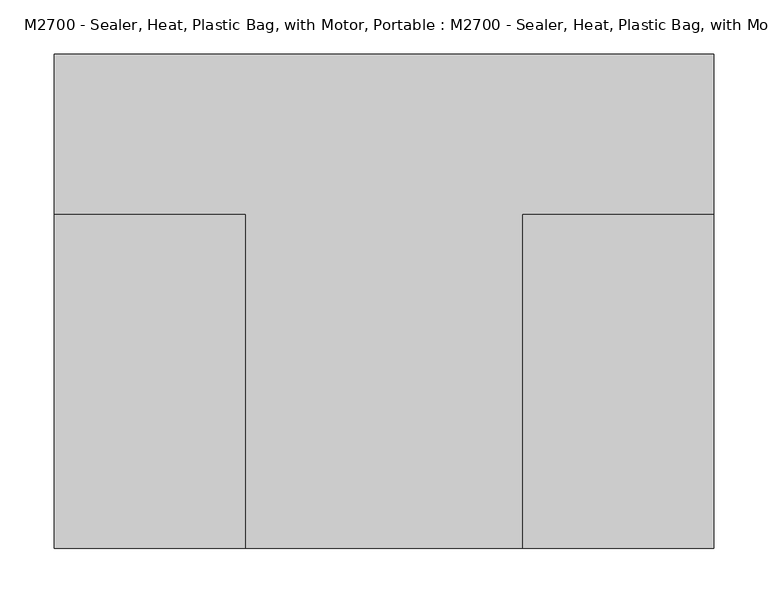
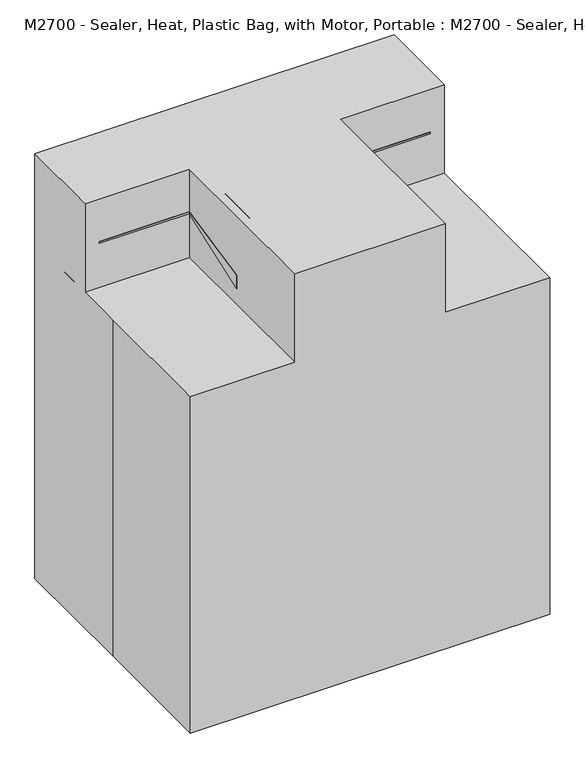
"""IFC4 building model written with IfcOpenShell, lengths in millimetres: proxy geometry, M2700 - Sealer, Heat, Plastic Bag, with Motor, Portable : M2700 - Sealer, Heat, Plastic Bag, with Motor, Portable."""

from ifc_helpers import new_model, si_unit, point, frame, frame_2d, origin, origin_with_axes, place, context, project, spatial, polyline, circle_curve, trimmed, segment, composite_curve, outline, extrude, faceted_brep, source, transform, mapped, element, save


def m2700_sealer_heat_plastic_bag_with_motor_portable_m2700_154b49e9(model_context):
    return source(origin(), model_context, "Body", "SolidModel", [
        extrude(outline(composite_curve([segment(trimmed(circle_curve(frame_2d((0.0, -12.7)), 12.7), [point((0.0, -25.4))], [point((0.0, 0.0))], False, "CARTESIAN"), True, "CONTINUOUS"), segment(trimmed(circle_curve(frame_2d((0.0, -12.7)), 12.7), [point((0.0, 0.0))], [point((0.0, -25.4))], False, "CARTESIAN"), True, "CONTINUOUS")], self_intersect=False)), frame((12.7, 15.9566276, 701.1420918), z_axis=(0.0, 0.7071067811865469, 0.7071067811865482), x_axis=(0.0, -0.7071067811865482, 0.7071067811865469)), (0.0, 0.0, 1.0), 43.6950974),
        faceted_brep([(280.8460579, 90.6708297, 685.9875921), (280.8460579, 90.6708297, 679.6375921), (280.8460579, 141.4708297, 679.6375921), (280.8460579, 141.4708297, 698.6875921), (280.8460579, 80.8223051, 685.7963503), (280.8460579, 80.8223051, 682.4030223), (-280.5077177, 141.4708297, 698.6875921), (-280.5077177, 141.4708297, 679.6375921), (-280.5077177, 90.6708297, 679.6375921), (-280.5077177, 90.6708297, 685.9875921), (-280.5077177, 80.8223051, 682.4030223), (-280.5077177, 80.8223051, 685.7963503), (-127.7852068, 80.8223051, 685.7963503), (-127.7852068, -58.5191973, 656.1783996), (127.7852068, -58.5191973, 656.1783996), (127.7852068, 80.8223051, 685.7963503), (-127.7852068, -58.5191973, 631.686863), (127.7852068, -58.5191973, 631.686863), (127.7852068, 80.8223051, 682.4030223), (-127.7852068, 80.8223051, 682.4030223)], [[[0, 1, 2, 3, 4, 5]], [[6, 7, 8, 9, 10, 11]], [[3, 6, 11, 12, 13, 14, 15, 4]], [[13, 16, 17, 14]], [[9, 0, 5, 18, 17, 16, 19, 10]], [[1, 0, 9, 8]], [[2, 1, 8, 7]], [[3, 2, 7, 6]], [[19, 12, 11, 10]], [[12, 19, 16, 13]], [[15, 18, 5, 4]], [[18, 15, 14, 17]]]),
        extrude(outline(composite_curve([segment(trimmed(circle_curve(frame_2d((101.6, -130.3161106)), 25.4), [point((127.0, -130.3161106))], [point((101.6, -155.7161106))], False, "CARTESIAN"), True, "CONTINUOUS"), segment(polyline([(101.6, -155.7161106), (73.025, -155.7161106)]), True, "CONTINUOUS"), segment(trimmed(circle_curve(frame_2d((73.025, -143.0161106)), 12.7), [point((73.025, -155.7161106))], [point((60.325, -143.0161106))], False, "CARTESIAN"), True, "CONTINUOUS"), segment(polyline([(60.325, -143.0161106), (60.325, -16.3922681)]), True, "CONTINUOUS"), segment(trimmed(circle_curve(frame_2d((41.275, -16.3922681)), 19.05), [point((60.325, -16.3922681))], [point((41.275, 2.6577319))], True, "CARTESIAN"), True, "CONTINUOUS"), segment(polyline([(41.275, 2.6577319), (-3.175, 2.6577319), (-47.625, 2.6577319)]), True, "CONTINUOUS"), segment(trimmed(circle_curve(frame_2d((-47.625, -16.3922681)), 19.05), [point((-47.625, 2.6577319))], [point((-66.675, -16.3922681))], True, "CARTESIAN"), True, "CONTINUOUS"), segment(polyline([(-66.675, -16.3922681), (-66.675, -142.2405353)]), True, "CONTINUOUS"), segment(trimmed(circle_curve(frame_2d((-79.375, -142.2405353)), 12.7), [point((-66.675, -142.2405353))], [point((-79.375, -154.9405353))], False, "CARTESIAN"), True, "CONTINUOUS"), segment(polyline([(-79.375, -154.9405353), (-102.3852068, -154.9405353)]), True, "CONTINUOUS"), segment(trimmed(circle_curve(frame_2d((-102.3852068, -129.5405353)), 25.4), [point((-102.3852068, -154.9405353))], [point((-127.7852068, -129.5405353))], False, "CARTESIAN"), True, "CONTINUOUS"), segment(polyline([(-127.7852068, -129.5405353), (-127.7852068, 55.4223051)]), True, "CONTINUOUS"), segment(trimmed(circle_curve(frame_2d((-102.3852068, 55.4223051)), 25.4), [point((-127.7852068, 55.4223051))], [point((-102.3852068, 80.8223051))], False, "CARTESIAN"), True, "CONTINUOUS"), segment(polyline([(-102.3852068, 80.8223051), (101.6, 80.8223051)]), True, "CONTINUOUS"), segment(trimmed(circle_curve(frame_2d((101.6, 55.4223051)), 25.4), [point((101.6, 80.8223051))], [point((127.0, 55.4223051))], False, "CARTESIAN"), True, "CONTINUOUS"), segment(polyline([(127.0, 55.4223051), (127.0, -130.3161106)]), True, "CONTINUOUS")], self_intersect=False)), frame((0.0, 0.0, 30.5919118), z_axis=(0.0, 0.0, 1.0), x_axis=(1.0, 0.0, 0.0)), (0.0, 0.0, 1.0), 27.2782251),
        extrude(outline(composite_curve([segment(polyline([(-203.2, -149.4929242), (-203.2, 93.6139601)]), True, "CONTINUOUS"), segment(trimmed(circle_curve(frame_2d((-190.5, 93.6139601)), 12.7), [point((-203.2, 93.6139601))], [point((-180.4752268, 101.4110059))], False, "CARTESIAN"), True, "CONTINUOUS"), segment(polyline([(-180.4752268, 101.4110059), (-116.8536353, 19.6118168)]), True, "CONTINUOUS"), segment(trimmed(circle_curve(frame_2d((-76.7545427, 50.8)), 50.8), [point((-116.8536353, 19.6118168))], [point((-76.7545427, 0.0))], True, "CARTESIAN"), True, "CONTINUOUS"), segment(polyline([(-76.7545427, 0.0), (76.7545427, 0.0)]), True, "CONTINUOUS"), segment(trimmed(circle_curve(frame_2d((76.7545427, 50.8)), 50.8), [point((76.7545427, 0.0))], [point((116.8536353, 19.6118168))], True, "CARTESIAN"), True, "CONTINUOUS"), segment(polyline([(116.8536353, 19.6118168), (180.4752268, 101.4110059)]), True, "CONTINUOUS"), segment(trimmed(circle_curve(frame_2d((190.5, 93.6139601)), 12.7), [point((180.4752268, 101.4110059))], [point((203.2, 93.6139601))], False, "CARTESIAN"), True, "CONTINUOUS"), segment(polyline([(203.2, 93.6139601), (203.2, -149.4929242)]), True, "CONTINUOUS"), segment(trimmed(circle_curve(frame_2d((190.5, -149.4929242)), 12.7), [point((203.2, -149.4929242))], [point((183.1182749, -159.8273392))], False, "CARTESIAN"), True, "CONTINUOUS"), segment(polyline([(183.1182749, -159.8273392), (176.1159248, -154.8256606)]), True, "CONTINUOUS"), segment(trimmed(circle_curve(frame_2d((10.027111, -387.35)), 285.75), [point((176.1159248, -154.8256606))], [point((10.027111, -101.6))], True, "CARTESIAN"), True, "CONTINUOUS"), segment(polyline([(10.027111, -101.6), (-10.027111, -101.6)]), True, "CONTINUOUS"), segment(trimmed(circle_curve(frame_2d((-10.027111, -387.35)), 285.75), [point((-10.027111, -101.6))], [point((-176.1159248, -154.8256606))], True, "CARTESIAN"), True, "CONTINUOUS"), segment(polyline([(-176.1159248, -154.8256606), (-183.1182749, -159.8273392)]), True, "CONTINUOUS"), segment(trimmed(circle_curve(frame_2d((-190.5, -149.4929242)), 12.7), [point((-183.1182749, -159.8273392))], [point((-203.2, -149.4929242))], False, "CARTESIAN"), True, "CONTINUOUS")], self_intersect=False)), origin_with_axes(), (0.0, 0.0, 1.0), 30.5919118),
        faceted_brep([(304.8, 228.6, 762.0), (-304.8, 228.6, 762.0), (-304.8, 80.8223051, 762.0), (-127.7852068, 80.8223051, 762.0), (-127.7852068, -228.6, 762.0), (127.7852068, -228.6, 762.0), (127.7852068, 80.8223051, 762.0), (304.8, 80.8223051, 762.0), (-304.8, 228.6, 0.0), (304.8, 228.6, 0.0), (304.8, -228.6, 0.0), (-304.8, -228.6, 0.0), (-304.8, 0.0, 0.0), (-304.8, 0.0, 603.4346392), (-304.8, 80.8223051, 603.4346392), (-304.8, -228.6, 603.4346392), (304.8, -228.6, 603.4346392), (127.7852068, -228.6, 603.4346392), (-127.7852068, -228.6, 603.4346392), (304.8, 80.8223051, 603.4346392), (-127.7852068, 80.8223051, 603.4346392), (127.7852068, 80.8223051, 603.4346392)], [[[0, 1, 2, 3, 4, 5, 6, 7]], [[8, 9, 10, 11, 12]], [[8, 12, 13, 14, 2, 1]], [[12, 11, 15, 13]], [[11, 10, 16, 17, 5, 4, 18, 15]], [[10, 9, 0, 7, 19, 16]], [[1, 0, 9, 8]], [[20, 14, 13, 15, 18]], [[14, 20, 3, 2]], [[20, 18, 4, 3]], [[21, 17, 16, 19]], [[21, 19, 7, 6]], [[17, 21, 6, 5]]]),
        extrude(outline(polyline([(603.25, 304.8), (603.25, 113.2371099), (603.25, -304.8), (577.85, -304.8), (577.85, 304.8), (603.25, 304.8)])), frame((0.0, 80.8223051, 0.0), z_axis=(0.0, 1.0, 0.0), x_axis=(0.0, 0.0, 1.0)), (0.0, 0.0, 1.0), 59.6394991),
        extrude(outline(composite_curve([segment(trimmed(circle_curve(frame_2d((0.0, -24.6438908)), 6.35), [point((-6.35, -24.6438908))], [point((6.35, -24.6438908))], False, "CARTESIAN"), True, "CONTINUOUS"), segment(trimmed(circle_curve(frame_2d((0.0, -24.6438908)), 6.35), [point((6.35, -24.6438908))], [point((-6.35, -24.6438908))], False, "CARTESIAN"), True, "CONTINUOUS")], self_intersect=False)), origin_with_axes(), (0.0, 0.0, 1.0), 603.4346392),
        extrude(outline(polyline([(-228.6, 603.4346392), (-228.6, 762.0), (0.0, 762.0), (80.8223051, 681.1776949), (80.8223051, 603.4346392), (-139.7, 603.4346392), (-228.6, 603.4346392)])), frame((-114.0497354, 0.0, 0.0), z_axis=(1.0, 0.0, 0.0), x_axis=(0.0, 1.0, 0.0)), (0.0, 0.0, 1.0), 227.2868453),
        extrude(outline(composite_curve([segment(trimmed(circle_curve(frame_2d((0.0, -101.6)), 38.1), [point((-38.1, -101.6))], [point((38.1, -101.6))], False, "CARTESIAN"), True, "CONTINUOUS"), segment(trimmed(circle_curve(frame_2d((0.0, -101.6)), 38.1), [point((38.1, -101.6))], [point((-38.1, -101.6))], False, "CARTESIAN"), True, "CONTINUOUS")], self_intersect=False)), origin_with_axes(), (0.0, 0.0, 1.0), 655.1196973),
        extrude(outline(composite_curve([segment(trimmed(circle_curve(frame_2d((0.0, -101.6)), 50.8), [point((-50.8, -101.6))], [point((50.8, -101.6))], False, "CARTESIAN"), True, "CONTINUOUS"), segment(trimmed(circle_curve(frame_2d((0.0, -101.6)), 50.8), [point((50.8, -101.6))], [point((-50.8, -101.6))], False, "CARTESIAN"), True, "CONTINUOUS")], self_intersect=False)), origin_with_axes(), (0.0, 0.0, 1.0), 75.0984896),
    ])


if __name__ == "__main__":
    model = new_model("IFC4")
    model_context = context("Model", 3, world=origin())
    ifc_project = project(units=[si_unit("LENGTHUNIT", "METRE", prefix="MILLI")], contexts=[model_context])
    site = spatial("IfcSite", under=ifc_project)
    building = spatial("IfcBuilding", under=site)
    placement = place(None, origin())
    m2700_sealer_heat_plastic_bag_with_motor_portable_m2700_shape = m2700_sealer_heat_plastic_bag_with_motor_portable_m2700_154b49e9(model_context)
    element("IfcBuildingElementProxy", 1, Name="M2700 - Sealer, Heat, Plastic Bag, with Motor, Portable : M2700 - Sealer, Heat, Plastic Bag, with Motor, Portable", ObjectType="M2700 - Sealer, Heat, Plastic Bag, with Motor, Portable : M2700 - Sealer, Heat, Plastic Bag, with Motor, Portable", at=placement, inside=building, context=model_context, shape_type="MappedRepresentation", body=[
        mapped(m2700_sealer_heat_plastic_bag_with_motor_portable_m2700_shape, transform((0.0, 0.0, 0.0), x_axis=(1.0, 0.0, 0.0), y_axis=(0.0, 1.0, 0.0), z_axis=(0.0, 0.0, 1.0))),
    ])
    save(model, "model.ifc")
